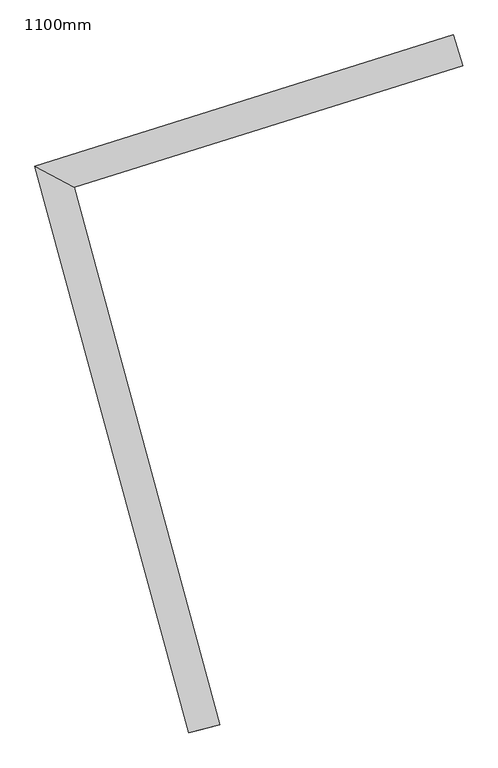
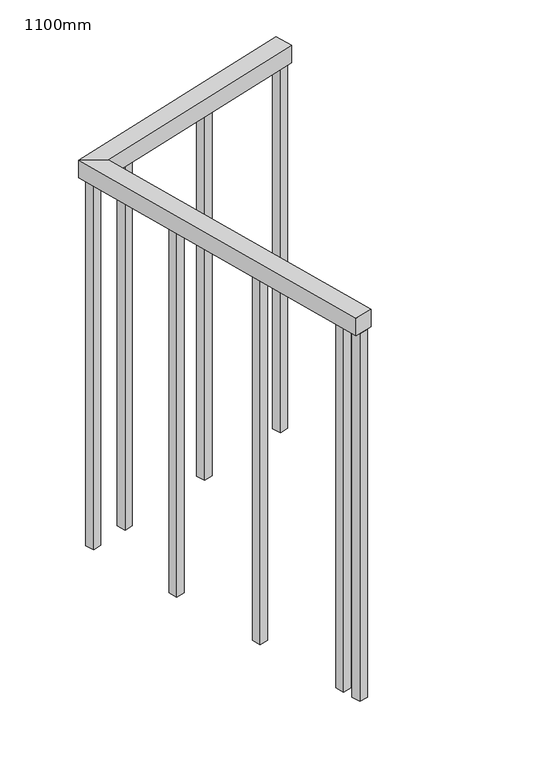
"""IFC4 building model written with IfcOpenShell, lengths in millimetres: railing geometry, 1100mm."""

from ifc_helpers import new_model, si_unit, frame, origin, place, context, project, spatial, polyline, outline, extrude, faceted_brep, source, transform, mapped, element, save


def railing_1100mm_fea26204(model_context):
    return source(origin(), model_context, "Body", "SolidModel", [
        faceted_brep([(146211.5363382, 28849.7064581, 1700.0), (146211.5363382, 28849.7064581, 1650.0), (146196.5744442, 28897.4153852, 1650.0), (146196.5744442, 28897.4153852, 1700.0), (145545.3307511, 28693.1802519, 1700.0), (145606.1992268, 28659.8679891, 1700.0), (145545.3307511, 28693.1802519, 1650.0), (145606.1992268, 28659.8679891, 1650.0), (145833.4959157, 27823.6185294, 1700.0), (145785.2464451, 27810.5040876, 1700.0), (145785.2464451, 27810.5040876, 1650.0), (145833.4959157, 27823.6185294, 1650.0)], [[[0, 1, 2, 3]], [[0, 3, 4, 5]], [[3, 2, 6, 4]], [[2, 1, 7, 6]], [[1, 0, 5, 7]], [[8, 9, 10, 11]], [[5, 4, 9, 8]], [[4, 6, 10, 9]], [[6, 7, 11, 10]], [[7, 5, 8, 11]]]),
        extrude(outline(polyline([(145800.9370367, 27895.7488334), (145807.4942576, 27871.6240981), (145783.3695223, 27865.0668772), (145776.8123014, 27889.1916125), (145800.9370367, 27895.7488334)])), frame((0.0, 0.0, 600.0), z_axis=(0.0, 0.0, 1.0), x_axis=(1.0, 0.0, 0.0)), (0.0, 0.0, 1.0), 1050.0),
        extrude(outline(polyline([(145728.8076065, 28161.1209218), (145735.3648274, 28136.9961865), (145711.2400921, 28130.4389656), (145704.6828712, 28154.5637009), (145728.8076065, 28161.1209218)])), frame((0.0, 0.0, 600.0), z_axis=(0.0, 0.0, 1.0), x_axis=(1.0, 0.0, 0.0)), (0.0, 0.0, 1.0), 1050.0),
        extrude(outline(polyline([(145656.6781763, 28426.4930102), (145663.2353973, 28402.3682749), (145639.1106619, 28395.811054), (145632.553441, 28419.9357893), (145656.6781763, 28426.4930102)])), frame((0.0, 0.0, 600.0), z_axis=(0.0, 0.0, 1.0), x_axis=(1.0, 0.0, 0.0)), (0.0, 0.0, 1.0), 1050.0),
        extrude(outline(polyline([(145694.924898, 28700.7933295), (145671.0704344, 28693.3123825), (145663.5894874, 28717.1668461), (145687.443951, 28724.6477931), (145694.924898, 28700.7933295)])), frame((0.0, 0.0, 600.0), z_axis=(0.0, 0.0, 1.0), x_axis=(1.0, 0.0, 0.0)), (0.0, 0.0, 1.0), 1050.0),
        extrude(outline(polyline([(145957.3239972, 28783.0837464), (145933.4695337, 28775.6027995), (145925.9885867, 28799.457263), (145949.8430503, 28806.93821), (145957.3239972, 28783.0837464)])), frame((0.0, 0.0, 600.0), z_axis=(0.0, 0.0, 1.0), x_axis=(1.0, 0.0, 0.0)), (0.0, 0.0, 1.0), 1050.0),
        extrude(outline(polyline([(145591.4326942, 28668.3373622), (145567.5782307, 28660.8564152), (145560.0972837, 28684.7108788), (145583.9517472, 28692.1918258), (145591.4326942, 28668.3373622)])), frame((0.0, 0.0, 600.0), z_axis=(0.0, 0.0, 1.0), x_axis=(1.0, 0.0, 0.0)), (0.0, 0.0, 1.0), 1050.0),
        extrude(outline(polyline([(145814.8763271, 27844.4646543), (145821.4335481, 27820.339919), (145797.3088128, 27813.782698), (145790.7515918, 27837.9074334), (145814.8763271, 27844.4646543)])), frame((0.0, 0.0, 600.0), z_axis=(0.0, 0.0, 1.0), x_axis=(1.0, 0.0, 0.0)), (0.0, 0.0, 1.0), 1050.0),
        extrude(outline(polyline([(146207.7958647, 28861.6336899), (146183.9414011, 28854.1527429), (146176.4604541, 28878.0072064), (146200.3149177, 28885.4881534), (146207.7958647, 28861.6336899)])), frame((0.0, 0.0, 600.0), z_axis=(0.0, 0.0, 1.0), x_axis=(1.0, 0.0, 0.0)), (0.0, 0.0, 1.0), 1050.0),
    ])


if __name__ == "__main__":
    model = new_model("IFC4")
    model_context = context("Model", 3, world=origin())
    ifc_project = project(units=[si_unit("LENGTHUNIT", "METRE", prefix="MILLI")], contexts=[model_context])
    site = spatial("IfcSite", under=ifc_project)
    building = spatial("IfcBuilding", under=site)
    placement = place(None, origin())
    railing_1100mm_shape = railing_1100mm_fea26204(model_context)
    element("IfcRailing", 1, ObjectType="1100mm", at=placement, inside=building, context=model_context, shape_type="MappedRepresentation", body=[
        mapped(railing_1100mm_shape, transform((0.0, 0.0, 0.0), x_axis=(1.0, 0.0, 0.0), y_axis=(0.0, 1.0, 0.0), z_axis=(0.0, 0.0, 1.0))),
    ])
    save(model, "model.ifc")
